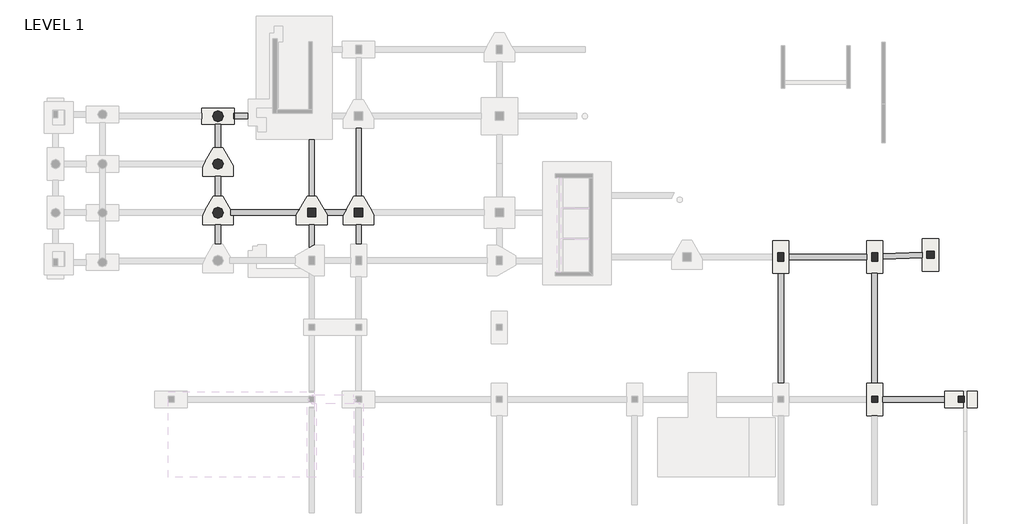
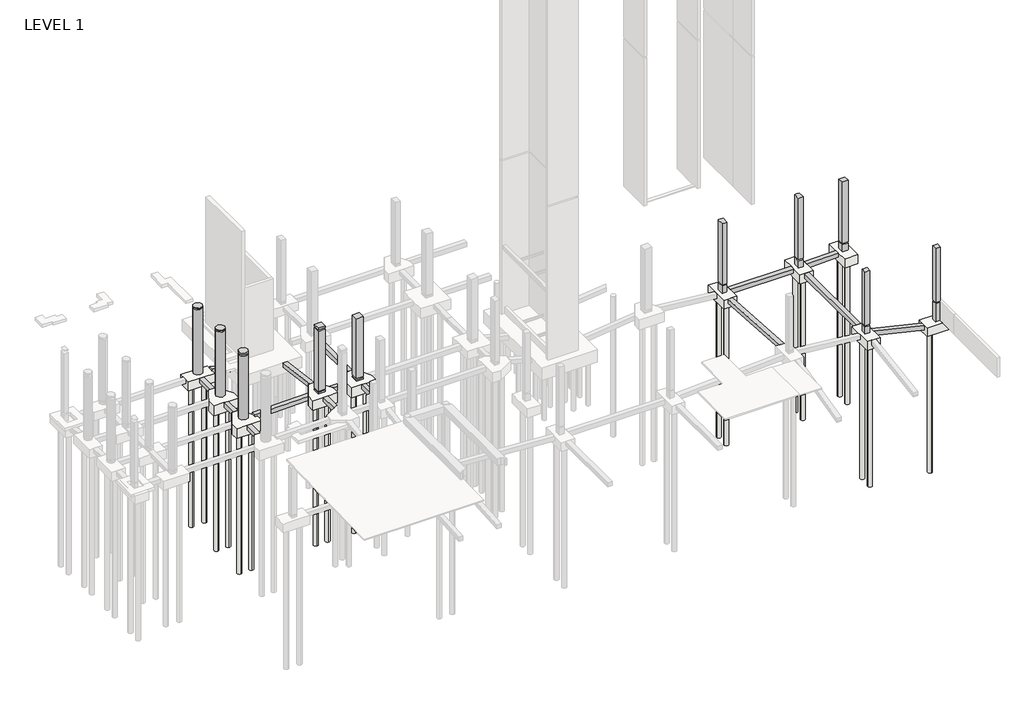
# One storey, part 8 of 20: 33 slabs, 15 beams, 10 columns.
"""IFC4 building model written with IfcOpenShell, lengths in millimetres."""

from ifc_helpers import new_model, si_unit, point, frame, frame_2d, origin, origin_with_axes, place, context, project, spatial, polyline, circle_curve, trimmed, segment, composite_curve, outline, extrude, faceted_brep, element, save

model = new_model("IFC4")

# Units and contexts
model_context = context("Model", 3, world=origin())
ifc_project = project(units=[si_unit("LENGTHUNIT", "METRE", prefix="MILLI")], contexts=[model_context])

# Site, building, storey
site = spatial("IfcSite", under=ifc_project)
building = spatial("IfcBuilding", under=site)
storey = spatial("IfcBuildingStorey", under=building, Name="LEVEL 1", Elevation=0.0)

# Beams
placement = place(None, origin())
element("IfcBeam", 1, ObjectType="Concrete-Rectangular Beam", at=placement, inside=storey, context=model_context, shape_type="SweptSolid", body=[
    extrude(outline(polyline([(-914.4, 57112.6094276), (-928.5570788, 57109.2389942), (-1383.5758964, 57109.2389942), (-2635.3217705, 62367.0389942), (-2165.3434613, 62367.0389942), (-914.4, 57112.6094276)])), frame((0.0, -45445.9107149, 0.0), z_axis=(0.0, 1.0, 0.0), x_axis=(0.0, 0.0, 1.0)), (0.0, 0.0, 1.0), 457.2),
])
element("IfcBeam", 2, ObjectType="Concrete-Rectangular Beam", at=placement, inside=storey, context=model_context, shape_type="SweptSolid", body=[
    extrude(outline(polyline([(-43845.7107149, -763.3710243), (-43845.7107149, -305.1601041), (-34549.3107149, -923.7104636), (-34549.3107149, -1381.9213838), (-43845.7107149, -763.3710243)])), frame((48270.0389942, 0.0, 0.0), z_axis=(1.0, 0.0, 0.0), x_axis=(0.0, 1.0, 0.0)), (0.0, 0.0, 1.0), 457.2),
])
element("IfcBeam", 3, ObjectType="Concrete-Rectangular Beam", at=placement, inside=storey, context=model_context, shape_type="SweptSolid", body=[
    extrude(outline(polyline([(49184.4389942, -33406.3107149), (49184.4389942, -32949.1107149), (55737.6389942, -32949.1107149), (55737.6389942, -33406.3107149), (49184.4389942, -33406.3107149)])), frame((0.0, 0.0, -1371.6), z_axis=(0.0, 0.0, 1.0), x_axis=(1.0, 0.0, 0.0)), (0.0, 0.0, 1.0), 457.2),
])
element("IfcBeam", 4, ObjectType="Concrete-Rectangular Beam", at=placement, inside=storey, context=model_context, shape_type="SweptSolid", body=[
    extrude(outline(polyline([(56652.0389942, -43845.7107149), (56194.8389942, -43845.7107149), (56194.8389942, -34549.3107149), (56652.0389942, -34549.3107149), (56652.0389942, -43845.7107149)])), frame((0.0, 0.0, -1371.6), z_axis=(0.0, 0.0, 1.0), x_axis=(1.0, 0.0, 0.0)), (0.0, 0.0, 1.0), 457.2),
])
element("IfcBeam", 5, ObjectType="Concrete-Rectangular Beam", at=placement, inside=storey, context=model_context, shape_type="SweptSolid", body=[
    extrude(outline(polyline([(57109.2389942, -33380.6655772), (57109.2389942, -32923.1419833), (60462.541098, -32796.9558526), (60462.541098, -33254.4794466), (57109.2389942, -33380.6655772)])), frame((0.0, 0.0, -1371.6), z_axis=(0.0, 0.0, 1.0), x_axis=(1.0, 0.0, 0.0)), (0.0, 0.0, 1.0), 457.2),
])
element("IfcBeam", 6, ObjectType="Concrete-Rectangular Beam", at=placement, inside=storey, context=model_context, shape_type="SweptSolid", body=[
    extrude(outline(polyline([(721.2389942, -21976.3107149), (1178.4389942, -21976.3107149), (1178.4389942, -23938.4462939), (721.2389942, -23938.4462939), (721.2389942, -21976.3107149)])), frame((0.0, 0.0, -1066.8), z_axis=(0.0, 0.0, 1.0), x_axis=(1.0, 0.0, 0.0)), (0.0, 0.0, 1.0), 457.2),
])
element("IfcBeam", 7, ObjectType="Concrete-Rectangular Beam", at=placement, inside=storey, context=model_context, shape_type="SweptSolid", body=[
    extrude(outline(polyline([(1178.4389942, -28053.2462158), (721.2389942, -28053.2462158), (721.2389942, -26367.3212939), (1178.4389942, -26367.3212939), (1178.4389942, -28053.2462158)])), frame((0.0, 0.0, -1066.8), z_axis=(0.0, 0.0, 1.0), x_axis=(1.0, 0.0, 0.0)), (0.0, 0.0, 1.0), 457.2),
])
element("IfcBeam", 8, ObjectType="Concrete-Rectangular Beam", at=placement, inside=storey, context=model_context, shape_type="SweptSolid", body=[
    extrude(outline(polyline([(1178.4389942, -32091.8607149), (721.2389942, -32091.8607149), (721.2389942, -30482.1212158), (1178.4389942, -30482.1212158), (1178.4389942, -32091.8607149)])), frame((0.0, 0.0, -1066.8), z_axis=(0.0, 0.0, 1.0), x_axis=(1.0, 0.0, 0.0)), (0.0, 0.0, 1.0), 457.2),
])
element("IfcBeam", 9, ObjectType="Concrete-Rectangular Beam", at=placement, inside=storey, context=model_context, shape_type="Brep", body=[
    faceted_brep([(2017.3916281, -29215.3107149, -412.75), (2025.8766141, -29215.3107149, -869.8712585), (2025.8766141, -29232.3183466, -869.8712585), (2021.0455152, -29223.9394095, -609.6), (2021.0455152, -29672.5107149, -609.6), (2017.3916281, -29672.5107149, -412.75), (7579.2389942, -29672.5107149, -309.5121915), (7579.2389942, -29612.7894738, -309.5121915), (7808.4159362, -29215.3107149, -305.2582587), (2245.2389942, -29672.5107149, -609.6), (2245.2389942, -29672.5107149, -865.7995015), (7579.2389942, -29672.5107149, -766.7909465), (2245.2389942, -29612.7749746, -865.7995015), (7808.4159362, -29215.3107149, -762.5370137), (7579.2389942, -29612.7894738, -766.7909465), (2245.2389942, -29612.7749746, -609.6)], [[[0, 1, 2, 3, 4, 5]], [[0, 5, 6, 7, 8]], [[9, 10, 11, 6, 5, 4]], [[10, 12, 2, 1, 13, 14, 11]], [[1, 0, 8, 13]], [[3, 15, 9, 4]], [[15, 12, 10, 9]], [[12, 15, 3, 2]], [[7, 14, 13, 8]], [[14, 7, 6, 11]]]),
])
element("IfcBeam", 10, ObjectType="Concrete-Rectangular Beam", at=placement, inside=storey, context=model_context, shape_type="SweptSolid", body=[
    extrude(outline(polyline([(13076.432182, -32110.9107149), (12619.232182, -32110.9107149), (12619.232182, -30482.1067166), (13076.432182, -30482.1067166), (13076.432182, -32110.9107149)])), frame((0.0, 0.0, -762.0), z_axis=(0.0, 0.0, 1.0), x_axis=(1.0, 0.0, 0.0)), (0.0, 0.0, 1.0), 457.2),
])
element("IfcBeam", 11, ObjectType="Concrete-Rectangular Beam", at=placement, inside=storey, context=model_context, shape_type="Brep", body=[
    faceted_brep([(11541.6389942, -29612.7604754, -304.8), (11770.8022716, -29215.3054161, -304.8), (9940.8609274, -29215.3087642, -304.8), (10170.0389942, -29612.7894738, -304.8), (10170.0389942, -29672.5083449, -304.8), (11541.6389942, -29672.5058354, -304.8), (11541.6389949, -29672.5058354, -762.0), (10170.0389934, -29672.5083449, -762.0), (11770.8022716, -29215.3054161, -762.0), (11541.6389942, -29612.7604754, -762.0), (10170.0389942, -29612.7894738, -762.0), (9940.8609274, -29215.3087642, -762.0)], [[[0, 1, 2, 3, 4, 5]], [[6, 5, 4, 7]], [[8, 9, 6, 7, 10, 11]], [[1, 8, 11, 2]], [[3, 10, 7, 4]], [[10, 3, 2, 11]], [[0, 9, 8, 1]], [[9, 0, 5, 6]]]),
])
element("IfcBeam", 12, ObjectType="Concrete-Rectangular Beam", at=placement, inside=storey, context=model_context, shape_type="SweptSolid", body=[
    extrude(outline(polyline([(9103.2389942, -32187.1107149), (9043.517753, -32187.1107149), (8646.0389942, -32416.287657), (8646.0389942, -30482.1357149), (9103.2389942, -30482.1357149), (9103.2389942, -32187.1107149)])), frame((0.0, 0.0, -762.0), z_axis=(0.0, 0.0, 1.0), x_axis=(1.0, 0.0, 0.0)), (0.0, 0.0, 1.0), 457.2),
])
element("IfcBeam", 13, ObjectType="Concrete-Rectangular Beam", at=placement, inside=storey, context=model_context, shape_type="SweptSolid", body=[
    extrude(outline(polyline([(-609.6, 2321.4389942), (-881.088107, 2321.4389942), (-1396.1553947, 4207.3889942), (-922.2112445, 4207.3889942), (-914.4, 4178.7876506), (-914.4, 3489.8389942), (-726.2428825, 3489.8389942), (-406.4, 2318.7149514), (-609.6, 2263.219486), (-609.6, 2321.4389942)])), frame((0.0, -21519.1107149, 0.0), z_axis=(0.0, 1.0, 0.0), x_axis=(0.0, 0.0, 1.0)), (0.0, 0.0, 1.0), 457.2),
])
element("IfcBeam", 14, ObjectType="Concrete-Rectangular Beam", at=placement, inside=storey, context=model_context, shape_type="SweptSolid", body=[
    extrude(outline(polyline([(-28053.2607149, -766.433643), (-28053.2607149, -305.58486), (-23220.9107149, -917.313843), (-23220.9107149, -1378.162626), (-28053.2607149, -766.433643)])), frame((8646.0389942, 0.0, 0.0), z_axis=(1.0, 0.0, 0.0), x_axis=(0.0, 1.0, 0.0)), (0.0, 0.0, 1.0), 457.2),
])
element("IfcBeam", 15, ObjectType="Concrete-Rectangular Beam", at=placement, inside=storey, context=model_context, shape_type="SweptSolid", body=[
    extrude(outline(polyline([(13076.432182, -28053.2317166), (12619.232182, -28053.2317166), (12619.232182, -22328.7357149), (13076.432182, -22328.7357149), (13076.432182, -28053.2317166)])), frame((0.0, 0.0, -762.0), z_axis=(0.0, 0.0, 1.0), x_axis=(1.0, 0.0, 0.0)), (0.0, 0.0, 1.0), 457.2),
])

# Columns
element("IfcColumn", 16, ObjectType="UC Concrete-Rectangular-Column : 20 x 20", at=placement, inside=storey, context=model_context, shape_type="Brep", body=[
    faceted_brep([(63484.6389942, -45471.3107149, -2133.6), (63484.6389942, -44963.3107149, -2133.6), (63960.8889942, -44963.3107149, -2133.6), (63960.8889942, -45471.3107149, -2133.6), (63484.6389942, -44963.3107149, -127.0), (63484.6389942, -45471.3107149, -127.0), (63960.8889942, -45471.3107149, -127.0), (63960.8889942, -44963.3107149, -127.0)], [[[0, 1, 2, 3]], [[4, 5, 6, 7]], [[5, 0, 3, 6]], [[1, 0, 5, 4]], [[1, 4, 7, 2]], [[3, 2, 7, 6]]]),
    faceted_brep([(63992.6389942, -45471.3107149, 0.0), (63992.6389942, -44963.3107149, 0.0), (63992.6389942, -44963.3107149, 5912.5005398), (63992.6389942, -45471.3107149, 5901.9481581), (63535.4389942, -45471.3107149, 5901.9481581), (63484.6389942, -45471.3107149, 5901.9481581), (63484.6389942, -45471.3107149, 5283.2), (63484.6389942, -45471.3107149, 0.0), (63960.8889942, -45471.3107149, 0.0), (63484.6389942, -44963.3107149, 5912.5005398), (63484.6389942, -44963.3107149, 5283.2), (63484.6389942, -44963.3107149, 0.0), (63535.4389942, -44963.3107149, 5912.5005398), (63941.8389942, -44963.3107149, 5912.5005398), (63960.8889942, -44963.3107149, 0.0)], [[[0, 1, 2, 3]], [[3, 4, 5, 6, 7, 8, 0]], [[5, 9, 10, 11, 7, 6]], [[9, 12, 13, 2, 1, 14, 11, 10]], [[5, 4, 3, 2, 13, 12, 9]], [[1, 0, 8, 7, 11, 14]]]),
])
element("IfcColumn", 17, ObjectType="UC Concrete-Rectangular-Column : 20 x 20", at=placement, inside=storey, context=model_context, shape_type="Brep", body=[
    faceted_brep([(56677.4389942, -44963.3107149, -914.4), (56677.4389942, -45471.3107149, -914.4), (56169.4389942, -45471.3107149, -914.4), (56169.4389942, -44963.3107149, -914.4), (56677.4389942, -45471.3107149, -127.0), (56677.4389942, -44963.3107149, -127.0), (56169.4389942, -44963.3107149, -127.0), (56169.4389942, -45471.3107149, -127.0)], [[[0, 1, 2, 3]], [[4, 5, 6, 7]], [[1, 0, 5, 4]], [[2, 1, 4, 7]], [[3, 2, 7, 6]], [[0, 3, 6, 5]]]),
    faceted_brep([(56677.4389942, -44963.3107149, 5912.5005398), (56677.4389942, -45471.3107149, 5901.9481581), (56677.4389942, -45471.3107149, 5283.2), (56677.4389942, -45471.3107149, 0.0), (56677.4389942, -44963.3107149, 0.0), (56677.4389942, -44963.3107149, 5283.2), (56626.6389942, -45471.3107149, 5901.9481581), (56220.2389942, -45471.3107149, 5901.9481581), (56169.4389942, -45471.3107149, 5901.9481581), (56169.4389942, -45471.3107149, 5283.2), (56169.4389942, -45471.3107149, 0.0), (56169.4389942, -44963.3107149, 5912.5005398), (56169.4389942, -44963.3107149, 5283.2), (56169.4389942, -44963.3107149, 0.0), (56220.2389942, -44963.3107149, 5912.5005398), (56626.6389942, -44963.3107149, 5912.5005398)], [[[0, 1, 2, 3, 4, 5]], [[1, 6, 7, 8, 9, 10, 3, 2]], [[8, 11, 12, 13, 10, 9]], [[11, 14, 15, 0, 5, 4, 13, 12]], [[1, 0, 15, 14, 11, 8, 7, 6]], [[4, 3, 10, 13]]]),
])
element("IfcColumn", 18, ObjectType="UC Concrete-Rectangular-Column : 20 x 28", at=placement, inside=storey, context=model_context, shape_type="Brep", body=[
    faceted_brep([(48752.6389942, -32822.1107149, -914.4), (48752.6389942, -33533.3107149, -914.4), (48244.6389942, -33533.3107149, -914.4), (48244.6389942, -32822.1107149, -914.4), (48752.6389942, -33533.3107149, -127.0), (48752.6389942, -32822.1107149, -127.0), (48244.6389942, -32822.1107149, -127.0), (48244.6389942, -33533.3107149, -127.0)], [[[0, 1, 2, 3]], [[4, 5, 6, 7]], [[1, 0, 5, 4]], [[2, 1, 4, 7]], [[3, 2, 7, 6]], [[0, 3, 6, 5]]]),
    faceted_brep([(48752.6389942, -32822.1107149, 6731.0), (48752.6389942, -33533.3107149, 6731.0), (48752.6389942, -33533.3107149, 0.0), (48752.6389942, -32822.1107149, 0.0), (48498.6389942, -33533.3107149, 6731.0), (48244.6389942, -33533.3107149, 6731.0), (48244.6389942, -33533.3107149, 5232.4), (48244.6389942, -33533.3107149, 0.0), (48244.6389942, -32828.4607149, 6731.0), (48244.6389942, -32822.1107149, 6731.0), (48244.6389942, -32822.1107149, 0.0)], [[[0, 1, 2, 3]], [[1, 4, 5, 6, 7, 2]], [[5, 8, 9, 10, 7, 6]], [[9, 0, 3, 10]], [[1, 0, 9, 8, 5, 4]], [[3, 2, 7, 10]]]),
])
element("IfcColumn", 19, ObjectType="UC Concrete-Rectangular-Column : 20 x 28", at=placement, inside=storey, context=model_context, shape_type="Brep", body=[
    faceted_brep([(56677.4389942, -32822.1107149, -914.4), (56677.4389942, -33533.3107149, -914.4), (56169.4389942, -33533.3107149, -914.4), (56169.4389942, -32822.1107149, -914.4), (56677.4389942, -33533.3107149, -127.0), (56677.4389942, -32822.1107149, -127.0), (56169.4389942, -32822.1107149, -127.0), (56169.4389942, -33533.3107149, -127.0)], [[[0, 1, 2, 3]], [[4, 5, 6, 7]], [[1, 0, 5, 4]], [[2, 1, 4, 7]], [[3, 2, 7, 6]], [[0, 3, 6, 5]]]),
    faceted_brep([(56677.4389942, -32822.1107149, 6731.0), (56677.4389942, -33533.3107149, 6731.0), (56677.4389942, -33533.3107149, 5232.4), (56677.4389942, -33533.3107149, 0.0), (56677.4389942, -32822.1107149, 0.0), (56677.4389942, -32822.1107149, 5232.4), (56423.4389942, -33533.3107149, 6731.0), (56169.4389942, -33533.3107149, 6731.0), (56169.4389942, -33533.3107149, 5232.4), (56169.4389942, -33533.3107149, 0.0), (56169.4389942, -32828.4607149, 6731.0), (56169.4389942, -32822.1107149, 6731.0), (56169.4389942, -32822.1107149, 0.0), (56423.4389942, -32822.1107149, 6731.0)], [[[0, 1, 2, 3, 4, 5]], [[1, 6, 7, 8, 9, 3, 2]], [[7, 10, 11, 12, 9, 8]], [[11, 13, 0, 5, 4, 12]], [[1, 0, 13, 11, 10, 7, 6]], [[4, 3, 9, 12]]]),
])
element("IfcColumn", 20, ObjectType="UC Concrete-Rectangular-Column : 24 x 24", at=placement, inside=storey, context=model_context, shape_type="Brep", body=[
    faceted_brep([(61453.141098, -32695.1107149, -914.4), (61453.141098, -33304.7107149, -914.4), (60843.541098, -33304.7107149, -914.4), (60843.541098, -32695.1107149, -914.4), (61453.141098, -33304.7107149, -127.0), (61453.141098, -32695.1107149, -127.0), (60843.541098, -32695.1107149, -127.0), (60843.541098, -33304.7107149, -127.0)], [[[0, 1, 2, 3]], [[4, 5, 6, 7]], [[1, 0, 5, 4]], [[2, 1, 4, 7]], [[3, 2, 7, 6]], [[0, 3, 6, 5]]]),
    faceted_brep([(61453.141098, -32695.1107149, 6731.0), (61453.141098, -33304.7107149, 6731.0), (61453.141098, -33304.7107149, 5232.4), (61453.141098, -33304.7107149, 0.0), (61453.141098, -32695.1107149, 0.0), (61453.141098, -32695.1107149, 5232.4), (60843.541098, -33304.7107149, 6731.0), (60843.541098, -33304.7107149, 5232.4), (60843.541098, -33304.7107149, 0.0), (60843.541098, -32695.1107149, 6731.0), (60843.541098, -32695.1107149, 5232.4), (60843.541098, -32695.1107149, 0.0)], [[[0, 1, 2, 3, 4, 5]], [[1, 6, 7, 8, 3, 2]], [[6, 9, 10, 11, 8, 7]], [[9, 0, 5, 4, 11, 10]], [[1, 0, 9, 6]], [[4, 3, 8, 11]]]),
])
element("IfcColumn", 21, ObjectType="UC Concrete-Rectangular-Column : 28 x 28", at=placement, inside=storey, context=model_context, shape_type="SweptSolid", body=[
    extrude(outline(polyline([(13192.6389942, -29088.2962158), (13192.6389942, -29799.4962158), (12481.4389942, -29799.4962158), (12481.4389942, -29088.2962158), (13192.6389942, -29088.2962158)])), frame((0.0, 0.0, -304.8), z_axis=(0.0, 0.0, 1.0), x_axis=(1.0, 0.0, 0.0)), (0.0, 0.0, 1.0), 177.8),
    extrude(outline(polyline([(13192.6389942, -29088.2962158), (13192.6389942, -29799.4962158), (12481.4389942, -29799.4962158), (12481.4389942, -29088.2962158), (13192.6389942, -29088.2962158)])), origin_with_axes(), (0.0, 0.0, 1.0), 6553.2),
])
element("IfcColumn", 22, ObjectType="UC Concrete-Rectangular-Column : 28 x 28", at=placement, inside=storey, context=model_context, shape_type="SweptSolid", body=[
    extrude(outline(polyline([(9230.2389942, -29088.3107149), (9230.2389942, -29799.5107149), (8519.0389942, -29799.5107149), (8519.0389942, -29088.3107149), (9230.2389942, -29088.3107149)])), frame((0.0, 0.0, -304.8), z_axis=(0.0, 0.0, 1.0), x_axis=(1.0, 0.0, 0.0)), (0.0, 0.0, 1.0), 177.8),
    extrude(outline(polyline([(9230.2389942, -29088.3107149), (9230.2389942, -29799.5107149), (8519.0389942, -29799.5107149), (8519.0389942, -29088.3107149), (9230.2389942, -29088.3107149)])), frame((0.0, 0.0, 6731.0), z_axis=(0.0, 0.0, 1.0), x_axis=(1.0, 0.0, 0.0)), (0.0, 0.0, 1.0), 177.8),
    extrude(outline(polyline([(9230.2389942, -29088.3107149), (9230.2389942, -29799.5107149), (8519.0389942, -29799.5107149), (8519.0389942, -29088.3107149), (9230.2389942, -29088.3107149)])), origin_with_axes(), (0.0, 0.0, 1.0), 6553.2),
])
element("IfcColumn", 23, ObjectType="UC Concrete-Round-Column : 36\" DIA.", at=placement, inside=storey, context=model_context, shape_type="SweptSolid", body=[
    extrude(outline(composite_curve([segment(trimmed(circle_curve(frame_2d((949.8389942, -21290.5107149)), 457.2), [point((1407.0389942, -21290.5107149))], [point((492.6389942, -21290.5107149))], False, "CARTESIAN"), True, "CONTINUOUS"), segment(trimmed(circle_curve(frame_2d((949.8389942, -21290.5107149)), 457.2), [point((492.6389942, -21290.5107149))], [point((1407.0389942, -21290.5107149))], False, "CARTESIAN"), True, "CONTINUOUS")], self_intersect=False)), frame((0.0, 0.0, -406.4), z_axis=(0.0, 0.0, 1.0), x_axis=(1.0, 0.0, 0.0)), (0.0, 0.0, 1.0), 7137.4),
    extrude(outline(composite_curve([segment(trimmed(circle_curve(frame_2d((949.8389942, -21290.5107149)), 457.2), [point((1407.0389942, -21290.5107149))], [point((492.6389942, -21290.5107149))], False, "CARTESIAN"), True, "CONTINUOUS"), segment(trimmed(circle_curve(frame_2d((949.8389942, -21290.5107149)), 457.2), [point((492.6389942, -21290.5107149))], [point((1407.0389942, -21290.5107149))], False, "CARTESIAN"), True, "CONTINUOUS")], self_intersect=False)), frame((0.0, 0.0, 6858.0), z_axis=(0.0, 0.0, 1.0), x_axis=(1.0, 0.0, 0.0)), (0.0, 0.0, 1.0), 50.8),
])
element("IfcColumn", 24, ObjectType="UC Concrete-Round-Column : 36\" DIA.", at=placement, inside=storey, context=model_context, shape_type="SweptSolid", body=[
    extrude(outline(composite_curve([segment(trimmed(circle_curve(frame_2d((949.8389942, -25329.1107149)), 457.2), [point((492.6389942, -25329.1107149))], [point((1407.0389942, -25329.1107149))], False, "CARTESIAN"), True, "CONTINUOUS"), segment(trimmed(circle_curve(frame_2d((949.8389942, -25329.1107149)), 457.2), [point((1407.0389942, -25329.1107149))], [point((492.6389942, -25329.1107149))], False, "CARTESIAN"), True, "CONTINUOUS")], self_intersect=False)), frame((0.0, 0.0, -406.4), z_axis=(0.0, 0.0, 1.0), x_axis=(1.0, 0.0, 0.0)), (0.0, 0.0, 1.0), 7137.4),
    extrude(outline(composite_curve([segment(trimmed(circle_curve(frame_2d((949.8389942, -25329.1107149)), 457.2), [point((492.6389942, -25329.1107149))], [point((1407.0389942, -25329.1107149))], False, "CARTESIAN"), True, "CONTINUOUS"), segment(trimmed(circle_curve(frame_2d((949.8389942, -25329.1107149)), 457.2), [point((1407.0389942, -25329.1107149))], [point((492.6389942, -25329.1107149))], False, "CARTESIAN"), True, "CONTINUOUS")], self_intersect=False)), frame((0.0, 0.0, 6858.0), z_axis=(0.0, 0.0, 1.0), x_axis=(1.0, 0.0, 0.0)), (0.0, 0.0, 1.0), 50.8),
])
element("IfcColumn", 25, ObjectType="UC Concrete-Round-Column : 36\" DIA.", at=placement, inside=storey, context=model_context, shape_type="SweptSolid", body=[
    extrude(outline(composite_curve([segment(trimmed(circle_curve(frame_2d((949.8389942, -29443.9107149)), 457.2), [point((1407.0389942, -29443.9107149))], [point((492.6389942, -29443.9107149))], False, "CARTESIAN"), True, "CONTINUOUS"), segment(trimmed(circle_curve(frame_2d((949.8389942, -29443.9107149)), 457.2), [point((492.6389942, -29443.9107149))], [point((1407.0389942, -29443.9107149))], False, "CARTESIAN"), True, "CONTINUOUS")], self_intersect=False)), frame((0.0, 0.0, -406.4), z_axis=(0.0, 0.0, 1.0), x_axis=(1.0, 0.0, 0.0)), (0.0, 0.0, 1.0), 6959.6),
    extrude(outline(composite_curve([segment(trimmed(circle_curve(frame_2d((949.8389942, -29443.9107149)), 457.2), [point((1407.0389942, -29443.9107149))], [point((492.6389942, -29443.9107149))], False, "CARTESIAN"), True, "CONTINUOUS"), segment(trimmed(circle_curve(frame_2d((949.8389942, -29443.9107149)), 457.2), [point((492.6389942, -29443.9107149))], [point((1407.0389942, -29443.9107149))], False, "CARTESIAN"), True, "CONTINUOUS")], self_intersect=False)), frame((0.0, 0.0, 6731.0), z_axis=(0.0, 0.0, 1.0), x_axis=(1.0, 0.0, 0.0)), (0.0, 0.0, 1.0), 177.8),
])

# Slabs
element("IfcSlab", 26, ObjectType="18\" Diameter", at=placement, inside=storey, context=model_context, shape_type="SweptSolid", body=[
    extrude(outline(composite_curve([segment(trimmed(circle_curve(frame_2d((63052.8389942, -45217.3107149)), 228.6), [point((63052.8389942, -44988.7107149))], [point((63052.8389942, -45445.9107149))], False, "CARTESIAN"), True, "CONTINUOUS"), segment(trimmed(circle_curve(frame_2d((63052.8389942, -45217.3107149)), 228.6), [point((63052.8389942, -45445.9107149))], [point((63052.8389942, -44988.7107149))], False, "CARTESIAN"), True, "CONTINUOUS")], self_intersect=False)), frame((0.0, 0.0, -18567.4), z_axis=(0.0, 0.0, 1.0), x_axis=(1.0, 0.0, 0.0)), (0.0, 0.0, 1.0), 15392.4),
])
element("IfcSlab", 27, ObjectType="18\" Diameter", at=placement, inside=storey, context=model_context, shape_type="SweptSolid", body=[
    extrude(outline(composite_curve([segment(trimmed(circle_curve(frame_2d((264.0389942, -21290.5107149)), 228.6), [point((264.0389942, -21061.9107149))], [point((264.0389942, -21519.1107149))], False, "CARTESIAN"), True, "CONTINUOUS"), segment(trimmed(circle_curve(frame_2d((264.0389942, -21290.5107149)), 228.6), [point((264.0389942, -21519.1107149))], [point((264.0389942, -21061.9107149))], False, "CARTESIAN"), True, "CONTINUOUS")], self_intersect=False)), frame((0.0, 0.0, -17043.4), z_axis=(0.0, 0.0, 1.0), x_axis=(1.0, 0.0, 0.0)), (0.0, 0.0, 1.0), 15392.4),
])
element("IfcSlab", 28, ObjectType="18\" Diameter", at=placement, inside=storey, context=model_context, shape_type="SweptSolid", body=[
    extrude(outline(composite_curve([segment(trimmed(circle_curve(frame_2d((1635.6389942, -21290.5107149)), 228.6), [point((1635.6389942, -21061.9107149))], [point((1635.6389942, -21519.1107149))], False, "CARTESIAN"), True, "CONTINUOUS"), segment(trimmed(circle_curve(frame_2d((1635.6389942, -21290.5107149)), 228.6), [point((1635.6389942, -21519.1107149))], [point((1635.6389942, -21061.9107149))], False, "CARTESIAN"), True, "CONTINUOUS")], self_intersect=False)), frame((0.0, 0.0, -17043.4), z_axis=(0.0, 0.0, 1.0), x_axis=(1.0, 0.0, 0.0)), (0.0, 0.0, 1.0), 15392.4),
])
element("IfcSlab", 29, ObjectType="18\" Diameter", at=placement, inside=storey, context=model_context, shape_type="SweptSolid", body=[
    extrude(outline(composite_curve([segment(trimmed(circle_curve(frame_2d((949.8389942, -28739.0462158)), 228.6), [point((949.8389942, -28967.6462158))], [point((949.8389942, -28510.4462158))], False, "CARTESIAN"), True, "CONTINUOUS"), segment(trimmed(circle_curve(frame_2d((949.8389942, -28739.0462158)), 228.6), [point((949.8389942, -28510.4462158))], [point((949.8389942, -28967.6462158))], False, "CARTESIAN"), True, "CONTINUOUS")], self_intersect=False)), frame((0.0, 0.0, -17043.4), z_axis=(0.0, 0.0, 1.0), x_axis=(1.0, 0.0, 0.0)), (0.0, 0.0, 1.0), 15367.0),
])
element("IfcSlab", 30, ObjectType="18\" Diameter", at=placement, inside=storey, context=model_context, shape_type="SweptSolid", body=[
    extrude(outline(composite_curve([segment(trimmed(circle_curve(frame_2d((949.8389942, -24624.2462939)), 228.6), [point((949.8389942, -24852.8462939))], [point((949.8389942, -24395.6462939))], False, "CARTESIAN"), True, "CONTINUOUS"), segment(trimmed(circle_curve(frame_2d((949.8389942, -24624.2462939)), 228.6), [point((949.8389942, -24395.6462939))], [point((949.8389942, -24852.8462939))], False, "CARTESIAN"), True, "CONTINUOUS")], self_intersect=False)), frame((0.0, 0.0, -17043.4), z_axis=(0.0, 0.0, 1.0), x_axis=(1.0, 0.0, 0.0)), (0.0, 0.0, 1.0), 15367.0),
])
element("IfcSlab", 31, ObjectType="18\" Diameter", at=placement, inside=storey, context=model_context, shape_type="SweptSolid", body=[
    extrude(outline(composite_curve([segment(trimmed(circle_curve(frame_2d((12837.0389942, -28739.0317166)), 228.6), [point((12837.0389942, -28510.4317166))], [point((12837.0389942, -28967.6317166))], False, "CARTESIAN"), True, "CONTINUOUS"), segment(trimmed(circle_curve(frame_2d((12837.0389942, -28739.0317166)), 228.6), [point((12837.0389942, -28967.6317166))], [point((12837.0389942, -28510.4317166))], False, "CARTESIAN"), True, "CONTINUOUS")], self_intersect=False)), frame((0.0, 0.0, -16738.6), z_axis=(0.0, 0.0, 1.0), x_axis=(1.0, 0.0, 0.0)), (0.0, 0.0, 1.0), 15367.0),
])
element("IfcSlab", 32, ObjectType="18\" Diameter", at=placement, inside=storey, context=model_context, shape_type="SweptSolid", body=[
    extrude(outline(composite_curve([segment(trimmed(circle_curve(frame_2d((48498.6389942, -32491.9107149)), 228.6), [point((48727.2389942, -32491.9107149))], [point((48270.0389942, -32491.9107149))], False, "CARTESIAN"), True, "CONTINUOUS"), segment(trimmed(circle_curve(frame_2d((48498.6389942, -32491.9107149)), 228.6), [point((48270.0389942, -32491.9107149))], [point((48727.2389942, -32491.9107149))], False, "CARTESIAN"), True, "CONTINUOUS")], self_intersect=False)), frame((0.0, 0.0, -17348.2), z_axis=(0.0, 0.0, 1.0), x_axis=(1.0, 0.0, 0.0)), (0.0, 0.0, 1.0), 15392.4),
])
element("IfcSlab", 33, ObjectType="18\" Diameter", at=placement, inside=storey, context=model_context, shape_type="SweptSolid", body=[
    extrude(outline(composite_curve([segment(trimmed(circle_curve(frame_2d((48498.6389942, -33863.5107149)), 228.6), [point((48727.2389942, -33863.5107149))], [point((48270.0389942, -33863.5107149))], False, "CARTESIAN"), True, "CONTINUOUS"), segment(trimmed(circle_curve(frame_2d((48498.6389942, -33863.5107149)), 228.6), [point((48270.0389942, -33863.5107149))], [point((48727.2389942, -33863.5107149))], False, "CARTESIAN"), True, "CONTINUOUS")], self_intersect=False)), frame((0.0, 0.0, -17348.2), z_axis=(0.0, 0.0, 1.0), x_axis=(1.0, 0.0, 0.0)), (0.0, 0.0, 1.0), 15392.4),
])
element("IfcSlab", 34, ObjectType="18\" Diameter", at=placement, inside=storey, context=model_context, shape_type="SweptSolid", body=[
    extrude(outline(composite_curve([segment(trimmed(circle_curve(frame_2d((56423.4389942, -32491.9107149)), 228.6), [point((56652.0389942, -32491.9107149))], [point((56194.8389942, -32491.9107149))], False, "CARTESIAN"), True, "CONTINUOUS"), segment(trimmed(circle_curve(frame_2d((56423.4389942, -32491.9107149)), 228.6), [point((56194.8389942, -32491.9107149))], [point((56652.0389942, -32491.9107149))], False, "CARTESIAN"), True, "CONTINUOUS")], self_intersect=False)), frame((0.0, 0.0, -17348.2), z_axis=(0.0, 0.0, 1.0), x_axis=(1.0, 0.0, 0.0)), (0.0, 0.0, 1.0), 15392.4),
])
element("IfcSlab", 35, ObjectType="18\" Diameter", at=placement, inside=storey, context=model_context, shape_type="SweptSolid", body=[
    extrude(outline(composite_curve([segment(trimmed(circle_curve(frame_2d((56423.4389942, -44531.5107149)), 228.6), [point((56652.0389942, -44531.5107149))], [point((56194.8389942, -44531.5107149))], False, "CARTESIAN"), True, "CONTINUOUS"), segment(trimmed(circle_curve(frame_2d((56423.4389942, -44531.5107149)), 228.6), [point((56194.8389942, -44531.5107149))], [point((56652.0389942, -44531.5107149))], False, "CARTESIAN"), True, "CONTINUOUS")], self_intersect=False)), frame((0.0, 0.0, -17348.2), z_axis=(0.0, 0.0, 1.0), x_axis=(1.0, 0.0, 0.0)), (0.0, 0.0, 1.0), 15392.4),
])
element("IfcSlab", 36, ObjectType="18\" Diameter", at=placement, inside=storey, context=model_context, shape_type="SweptSolid", body=[
    extrude(outline(composite_curve([segment(trimmed(circle_curve(frame_2d((56423.4389942, -45903.1107149)), 228.6), [point((56652.0389942, -45903.1107149))], [point((56194.8389942, -45903.1107149))], False, "CARTESIAN"), True, "CONTINUOUS"), segment(trimmed(circle_curve(frame_2d((56423.4389942, -45903.1107149)), 228.6), [point((56194.8389942, -45903.1107149))], [point((56652.0389942, -45903.1107149))], False, "CARTESIAN"), True, "CONTINUOUS")], self_intersect=False)), frame((0.0, 0.0, -17348.2), z_axis=(0.0, 0.0, 1.0), x_axis=(1.0, 0.0, 0.0)), (0.0, 0.0, 1.0), 15392.4),
])
element("IfcSlab", 37, ObjectType="18\" Diameter", at=placement, inside=storey, context=model_context, shape_type="SweptSolid", body=[
    extrude(outline(composite_curve([segment(trimmed(circle_curve(frame_2d((8874.6389942, -28739.0607149)), 228.6), [point((8874.6389942, -28967.6607149))], [point((8874.6389942, -28510.4607149))], False, "CARTESIAN"), True, "CONTINUOUS"), segment(trimmed(circle_curve(frame_2d((8874.6389942, -28739.0607149)), 228.6), [point((8874.6389942, -28510.4607149))], [point((8874.6389942, -28967.6607149))], False, "CARTESIAN"), True, "CONTINUOUS")], self_intersect=False)), frame((0.0, 0.0, -16738.6), z_axis=(0.0, 0.0, 1.0), x_axis=(1.0, 0.0, 0.0)), (0.0, 0.0, 1.0), 15367.0),
])
element("IfcSlab", 38, ObjectType="18\" Diameter", at=placement, inside=storey, context=model_context, shape_type="SweptSolid", body=[
    extrude(outline(composite_curve([segment(trimmed(circle_curve(frame_2d((1559.4389942, -25681.5212939)), 228.6), [point((1559.4389942, -25910.1212939))], [point((1559.4389942, -25452.9212939))], False, "CARTESIAN"), True, "CONTINUOUS"), segment(trimmed(circle_curve(frame_2d((1559.4389942, -25681.5212939)), 228.6), [point((1559.4389942, -25452.9212939))], [point((1559.4389942, -25910.1212939))], False, "CARTESIAN"), True, "CONTINUOUS")], self_intersect=False)), frame((0.0, 0.0, -17043.4), z_axis=(0.0, 0.0, 1.0), x_axis=(1.0, 0.0, 0.0)), (0.0, 0.0, 1.0), 15367.0),
])
element("IfcSlab", 39, ObjectType="18\" Diameter", at=placement, inside=storey, context=model_context, shape_type="SweptSolid", body=[
    extrude(outline(composite_curve([segment(trimmed(circle_curve(frame_2d((340.2389942, -25681.5212939)), 228.6), [point((340.2389942, -25910.1212939))], [point((340.2389942, -25452.9212939))], False, "CARTESIAN"), True, "CONTINUOUS"), segment(trimmed(circle_curve(frame_2d((340.2389942, -25681.5212939)), 228.6), [point((340.2389942, -25452.9212939))], [point((340.2389942, -25910.1212939))], False, "CARTESIAN"), True, "CONTINUOUS")], self_intersect=False)), frame((0.0, 0.0, -17043.4), z_axis=(0.0, 0.0, 1.0), x_axis=(1.0, 0.0, 0.0)), (0.0, 0.0, 1.0), 15367.0),
])
element("IfcSlab", 40, ObjectType="18\" Diameter", at=placement, inside=storey, context=model_context, shape_type="SweptSolid", body=[
    extrude(outline(composite_curve([segment(trimmed(circle_curve(frame_2d((1559.4389942, -29796.3212158)), 228.6), [point((1559.4389942, -30024.9212158))], [point((1559.4389942, -29567.7212158))], False, "CARTESIAN"), True, "CONTINUOUS"), segment(trimmed(circle_curve(frame_2d((1559.4389942, -29796.3212158)), 228.6), [point((1559.4389942, -29567.7212158))], [point((1559.4389942, -30024.9212158))], False, "CARTESIAN"), True, "CONTINUOUS")], self_intersect=False)), frame((0.0, 0.0, -17043.4), z_axis=(0.0, 0.0, 1.0), x_axis=(1.0, 0.0, 0.0)), (0.0, 0.0, 1.0), 15367.0),
])
element("IfcSlab", 41, ObjectType="18\" Diameter", at=placement, inside=storey, context=model_context, shape_type="SweptSolid", body=[
    extrude(outline(composite_curve([segment(trimmed(circle_curve(frame_2d((340.2389942, -29796.3212158)), 228.6), [point((340.2389942, -30024.9212158))], [point((340.2389942, -29567.7212158))], False, "CARTESIAN"), True, "CONTINUOUS"), segment(trimmed(circle_curve(frame_2d((340.2389942, -29796.3212158)), 228.6), [point((340.2389942, -29567.7212158))], [point((340.2389942, -30024.9212158))], False, "CARTESIAN"), True, "CONTINUOUS")], self_intersect=False)), frame((0.0, 0.0, -17043.4), z_axis=(0.0, 0.0, 1.0), x_axis=(1.0, 0.0, 0.0)), (0.0, 0.0, 1.0), 15367.0),
])
element("IfcSlab", 42, ObjectType="18\" Diameter", at=placement, inside=storey, context=model_context, shape_type="SweptSolid", body=[
    extrude(outline(composite_curve([segment(trimmed(circle_curve(frame_2d((9484.2389942, -29796.3357149)), 228.6), [point((9484.2389942, -30024.9357149))], [point((9484.2389942, -29567.7357149))], False, "CARTESIAN"), True, "CONTINUOUS"), segment(trimmed(circle_curve(frame_2d((9484.2389942, -29796.3357149)), 228.6), [point((9484.2389942, -29567.7357149))], [point((9484.2389942, -30024.9357149))], False, "CARTESIAN"), True, "CONTINUOUS")], self_intersect=False)), frame((0.0, 0.0, -16738.6), z_axis=(0.0, 0.0, 1.0), x_axis=(1.0, 0.0, 0.0)), (0.0, 0.0, 1.0), 15367.0),
])
element("IfcSlab", 43, ObjectType="18\" Diameter", at=placement, inside=storey, context=model_context, shape_type="SweptSolid", body=[
    extrude(outline(composite_curve([segment(trimmed(circle_curve(frame_2d((8265.0389942, -29796.3357149)), 228.6), [point((8265.0389942, -30024.9357149))], [point((8265.0389942, -29567.7357149))], False, "CARTESIAN"), True, "CONTINUOUS"), segment(trimmed(circle_curve(frame_2d((8265.0389942, -29796.3357149)), 228.6), [point((8265.0389942, -29567.7357149))], [point((8265.0389942, -30024.9357149))], False, "CARTESIAN"), True, "CONTINUOUS")], self_intersect=False)), frame((0.0, 0.0, -16738.6), z_axis=(0.0, 0.0, 1.0), x_axis=(1.0, 0.0, 0.0)), (0.0, 0.0, 1.0), 15367.0),
])
element("IfcSlab", 44, ObjectType="18\" Diameter", at=placement, inside=storey, context=model_context, shape_type="SweptSolid", body=[
    extrude(outline(composite_curve([segment(trimmed(circle_curve(frame_2d((13446.6389942, -29796.3067166)), 228.6), [point((13446.6389942, -30024.9067166))], [point((13446.6389942, -29567.7067166))], False, "CARTESIAN"), True, "CONTINUOUS"), segment(trimmed(circle_curve(frame_2d((13446.6389942, -29796.3067166)), 228.6), [point((13446.6389942, -29567.7067166))], [point((13446.6389942, -30024.9067166))], False, "CARTESIAN"), True, "CONTINUOUS")], self_intersect=False)), frame((0.0, 0.0, -16738.6), z_axis=(0.0, 0.0, 1.0), x_axis=(1.0, 0.0, 0.0)), (0.0, 0.0, 1.0), 15367.0),
])
element("IfcSlab", 45, ObjectType="18\" Diameter", at=placement, inside=storey, context=model_context, shape_type="SweptSolid", body=[
    extrude(outline(composite_curve([segment(trimmed(circle_curve(frame_2d((12227.4389942, -29796.3067166)), 228.6), [point((12227.4389942, -30024.9067166))], [point((12227.4389942, -29567.7067166))], False, "CARTESIAN"), True, "CONTINUOUS"), segment(trimmed(circle_curve(frame_2d((12227.4389942, -29796.3067166)), 228.6), [point((12227.4389942, -29567.7067166))], [point((12227.4389942, -30024.9067166))], False, "CARTESIAN"), True, "CONTINUOUS")], self_intersect=False)), frame((0.0, 0.0, -16738.6), z_axis=(0.0, 0.0, 1.0), x_axis=(1.0, 0.0, 0.0)), (0.0, 0.0, 1.0), 15367.0),
])
element("IfcSlab", 46, ObjectType="18\" Diameter", at=placement, inside=storey, context=model_context, shape_type="SweptSolid", body=[
    extrude(outline(composite_curve([segment(trimmed(circle_curve(frame_2d((61148.341098, -32314.1107149)), 228.6), [point((61376.941098, -32314.1107149))], [point((60919.741098, -32314.1107149))], False, "CARTESIAN"), True, "CONTINUOUS"), segment(trimmed(circle_curve(frame_2d((61148.341098, -32314.1107149)), 228.6), [point((60919.741098, -32314.1107149))], [point((61376.941098, -32314.1107149))], False, "CARTESIAN"), True, "CONTINUOUS")], self_intersect=False)), frame((0.0, 0.0, -17348.2), z_axis=(0.0, 0.0, 1.0), x_axis=(1.0, 0.0, 0.0)), (0.0, 0.0, 1.0), 15392.4),
])
element("IfcSlab", 47, ObjectType="18\" Diameter", at=placement, inside=storey, context=model_context, shape_type="SweptSolid", body=[
    extrude(outline(composite_curve([segment(trimmed(circle_curve(frame_2d((61148.341098, -33685.7107149)), 228.6), [point((61376.941098, -33685.7107149))], [point((60919.741098, -33685.7107149))], False, "CARTESIAN"), True, "CONTINUOUS"), segment(trimmed(circle_curve(frame_2d((61148.341098, -33685.7107149)), 228.6), [point((60919.741098, -33685.7107149))], [point((61376.941098, -33685.7107149))], False, "CARTESIAN"), True, "CONTINUOUS")], self_intersect=False)), frame((0.0, 0.0, -17348.2), z_axis=(0.0, 0.0, 1.0), x_axis=(1.0, 0.0, 0.0)), (0.0, 0.0, 1.0), 15392.4),
])
element("IfcSlab", 48, ObjectType="18\" Diameter", at=placement, inside=storey, context=model_context, shape_type="SweptSolid", body=[
    extrude(outline(composite_curve([segment(trimmed(circle_curve(frame_2d((56423.4389942, -33863.5107149)), 228.6), [point((56652.0389942, -33863.5107149))], [point((56194.8389942, -33863.5107149))], False, "CARTESIAN"), True, "CONTINUOUS"), segment(trimmed(circle_curve(frame_2d((56423.4389942, -33863.5107149)), 228.6), [point((56194.8389942, -33863.5107149))], [point((56652.0389942, -33863.5107149))], False, "CARTESIAN"), True, "CONTINUOUS")], self_intersect=False)), frame((0.0, 0.0, -17348.2), z_axis=(0.0, 0.0, 1.0), x_axis=(1.0, 0.0, 0.0)), (0.0, 0.0, 1.0), 15392.4),
])
element("IfcSlab", 49, ObjectType="UC Pile Cap-2 Pile : P2", at=placement, inside=storey, context=model_context, shape_type="Brep", body=[
    faceted_brep([(62367.0389942, -44531.5107149, -2133.6), (62367.0389942, -45903.1107149, -2133.6), (63617.9889942, -45903.1107149, -2133.6), (64532.3889942, -45903.1107149, -2133.6), (65110.2389942, -45903.1107149, -2133.6), (65110.2389942, -44531.5107149, -2133.6), (62367.0389942, -44531.5107149, -3098.8), (65110.2389942, -44531.5107149, -3098.8), (65110.2389942, -45903.1107149, -3098.8), (62367.0389942, -45903.1107149, -3098.8)], [[[0, 1, 2, 3, 4, 5]], [[6, 7, 8, 9]], [[1, 0, 6, 9]], [[4, 3, 2, 1, 9, 8]], [[5, 4, 8, 7]], [[0, 5, 7, 6]]]),
])
element("IfcSlab", 50, ObjectType="UC Pile Cap-2 Pile : P2", at=placement, inside=storey, context=model_context, shape_type="Brep", body=[
    faceted_brep([(49184.4389942, -31806.1107149, -914.4), (47812.8389942, -31806.1107149, -914.4), (47812.8389942, -34549.3107149, -914.4), (49184.4389942, -34549.3107149, -914.4), (49184.4389942, -33406.3107149, -914.4), (49184.4389942, -32949.1107149, -914.4), (49184.4389942, -31806.1107149, -1879.6), (49184.4389942, -34549.3107149, -1879.6), (47812.8389942, -34549.3107149, -1879.6), (47812.8389942, -31806.1107149, -1879.6)], [[[0, 1, 2, 3, 4, 5]], [[6, 7, 8, 9]], [[1, 0, 6, 9]], [[2, 1, 9, 8]], [[3, 2, 8, 7]], [[0, 5, 4, 3, 7, 6]]]),
])
element("IfcSlab", 51, ObjectType="UC Pile Cap-2 Pile : P2", at=placement, inside=storey, context=model_context, shape_type="Brep", body=[
    faceted_brep([(57109.2389942, -31806.1107149, -914.4), (55737.6389942, -31806.1107149, -914.4), (55737.6389942, -32949.1107149, -914.4), (55737.6389942, -33406.3107149, -914.4), (55737.6389942, -34549.3107149, -914.4), (56194.8389942, -34549.3107149, -914.4), (56652.0389942, -34549.3107149, -914.4), (57109.2389942, -34549.3107149, -914.4), (57109.2389942, -33380.6655772, -914.4), (57109.2389942, -32923.1419833, -914.4), (57109.2389942, -31806.1107149, -1879.6), (57109.2389942, -34549.3107149, -1879.6), (55737.6389942, -34549.3107149, -1879.6), (55737.6389942, -31806.1107149, -1879.6)], [[[0, 1, 2, 3, 4, 5, 6, 7, 8, 9]], [[10, 11, 12, 13]], [[1, 0, 10, 13]], [[4, 3, 2, 1, 13, 12]], [[7, 6, 5, 4, 12, 11]], [[0, 9, 8, 7, 11, 10]]]),
])
element("IfcSlab", 52, ObjectType="UC Pile Cap-2 Pile : P2", at=placement, inside=storey, context=model_context, shape_type="Brep", body=[
    faceted_brep([(-421.7610058, -20604.7107149, -609.6), (-421.7610058, -21061.9107149, -609.6), (-421.7610058, -21519.1107149, -609.6), (-421.7610058, -21976.3107149, -609.6), (721.2389942, -21976.3107149, -609.6), (1178.4389942, -21976.3107149, -609.6), (2321.4389942, -21976.3107149, -609.6), (2321.4389942, -21519.1107149, -609.6), (2321.4389942, -21061.9107149, -609.6), (2321.4389942, -20604.7107149, -609.6), (-421.7610058, -20604.7107149, -1574.8), (2321.4389942, -20604.7107149, -1574.8), (2321.4389942, -21976.3107149, -1574.8), (-421.7610058, -21976.3107149, -1574.8)], [[[0, 1, 2, 3, 4, 5, 6, 7, 8, 9]], [[10, 11, 12, 13]], [[3, 2, 1, 0, 10, 13]], [[6, 5, 4, 3, 13, 12]], [[9, 8, 7, 6, 12, 11]], [[0, 9, 11, 10]]]),
])
element("IfcSlab", 53, ObjectType="UC Pile Cap-2 Pile : P2", at=placement, inside=storey, context=model_context, shape_type="Brep", body=[
    faceted_brep([(57109.2389942, -43845.7107149, -914.4), (56652.0389942, -43845.7107149, -914.4), (56194.8389942, -43845.7107149, -914.4), (55737.6389942, -43845.7107149, -914.4), (55737.6389942, -46588.9107149, -914.4), (57109.2389942, -46588.9107149, -914.4), (57109.2389942, -43845.7107149, -1879.6), (57109.2389942, -46588.9107149, -1879.6), (55737.6389942, -46588.9107149, -1879.6), (55737.6389942, -43845.7107149, -1879.6)], [[[0, 1, 2, 3, 4, 5]], [[6, 7, 8, 9]], [[3, 2, 1, 0, 6, 9]], [[4, 3, 9, 8]], [[5, 4, 8, 7]], [[0, 5, 7, 6]]]),
])
element("IfcSlab", 54, ObjectType="UC Pile Cap-2 Pile : P2", at=placement, inside=storey, context=model_context, shape_type="Brep", body=[
    faceted_brep([(61834.141098, -31628.3107149, -914.4), (60462.541098, -31628.3107149, -914.4), (60462.541098, -32796.9558526, -914.4), (60462.541098, -33254.4794466, -914.4), (60462.541098, -34371.5107149, -914.4), (61834.141098, -34371.5107149, -914.4), (61834.141098, -31628.3107149, -1879.6), (61834.141098, -34371.5107149, -1879.6), (60462.541098, -34371.5107149, -1879.6), (60462.541098, -31628.3107149, -1879.6)], [[[0, 1, 2, 3, 4, 5]], [[6, 7, 8, 9]], [[1, 0, 6, 9]], [[4, 3, 2, 1, 9, 8]], [[5, 4, 8, 7]], [[0, 5, 7, 6]]]),
])
element("IfcSlab", 55, ObjectType="UC Pile Cap-3 Pile : P3", at=placement, inside=storey, context=model_context, shape_type="Brep", body=[
    faceted_brep([(14132.4389942, -30482.1067166, -304.8), (14132.4389942, -29672.4962158, -304.8), (14132.4389942, -29612.7604754, -304.8), (13903.270412, -29215.2962158, -304.8), (13233.2512413, -28053.2317166, -304.8), (13076.432182, -28053.2317166, -304.8), (12619.232182, -28053.2317166, -304.8), (12440.826747, -28053.2317166, -304.8), (11770.8022716, -29215.3054161, -304.8), (11541.6389942, -29612.7604754, -304.8), (11541.6389942, -29672.5058354, -304.8), (11541.6389942, -30482.1067166, -304.8), (12619.232182, -30482.1067166, -304.8), (13076.432182, -30482.1067166, -304.8), (14132.4389942, -30482.1067166, -1371.6), (11541.6389942, -30482.1067166, -1371.6), (11541.6389942, -29612.7604754, -1371.6), (12440.826747, -28053.2317166, -1371.6), (13233.2512413, -28053.2317166, -1371.6), (14132.4389942, -29612.7604754, -1371.6), (14132.4389942, -29612.7604754, -762.0), (11541.6389942, -29612.7604754, -762.0)], [[[0, 1, 2, 3, 4, 5, 6, 7, 8, 9, 10, 11, 12, 13]], [[14, 15, 16, 17, 18, 19]], [[2, 1, 0, 14, 19, 20]], [[4, 3, 2, 20, 19, 18]], [[7, 6, 5, 4, 18, 17]], [[9, 8, 7, 17, 16, 21]], [[11, 10, 9, 21, 16, 15]], [[0, 13, 12, 11, 15, 14]]]),
])
element("IfcSlab", 56, ObjectType="UC Pile Cap-3 Pile : P3", at=placement, inside=storey, context=model_context, shape_type="Brep", body=[
    faceted_brep([(2245.2389942, -30482.1212158, -609.6), (2245.2389942, -29672.5107149, -609.6), (2245.2389942, -29612.7749746, -609.6), (2021.0455152, -29223.9394095, -609.6), (1346.0512413, -28053.2462158, -609.6), (1178.4389942, -28053.2462158, -609.6), (721.2389942, -28053.2462158, -609.6), (553.626747, -28053.2462158, -609.6), (-116.3924237, -29215.3107149, -609.6), (-345.5610058, -29612.7749746, -609.6), (-345.5610058, -29672.5107149, -609.6), (-345.5610058, -30482.1212158, -609.6), (721.2389942, -30482.1212158, -609.6), (1178.4389942, -30482.1212158, -609.6), (2245.2389942, -30482.1212158, -1676.4), (-345.5610058, -30482.1212158, -1676.4), (-345.5610058, -29612.7749746, -1676.4), (553.626747, -28053.2462158, -1676.4), (1346.0512413, -28053.2462158, -1676.4), (2245.2389942, -29612.7749746, -1676.4), (2245.2389942, -29612.7749746, -865.7995015), (-345.5610058, -29612.7749746, -1066.8)], [[[0, 1, 2, 3, 4, 5, 6, 7, 8, 9, 10, 11, 12, 13]], [[14, 15, 16, 17, 18, 19]], [[2, 1, 0, 14, 19, 20]], [[4, 3, 2, 20, 19, 18]], [[7, 6, 5, 4, 18, 17]], [[9, 8, 7, 17, 16, 21]], [[11, 10, 9, 21, 16, 15]], [[0, 13, 12, 11, 15, 14]]]),
])
element("IfcSlab", 57, ObjectType="UC Pile Cap-3 Pile : P3", at=placement, inside=storey, context=model_context, shape_type="Brep", body=[
    faceted_brep([(2245.2389942, -26367.3212939, -609.6), (2245.2389942, -25497.9750527, -609.6), (1346.0512413, -23938.4462939, -609.6), (1178.4389942, -23938.4462939, -609.6), (721.2389942, -23938.4462939, -609.6), (553.626747, -23938.4462939, -609.6), (-116.3923787, -25100.5107149, -609.6), (-345.5610058, -25497.9750527, -609.6), (-345.5610058, -25557.7107149, -609.6), (-345.5610058, -26367.3212939, -609.6), (721.2389942, -26367.3212939, -609.6), (1178.4389942, -26367.3212939, -609.6), (2245.2389942, -26367.3212939, -1676.4), (-345.5610058, -26367.3212939, -1676.4), (-345.5610058, -25497.9750527, -1676.4), (553.626747, -23938.4462939, -1676.4), (1346.0512413, -23938.4462939, -1676.4), (2245.2389942, -25497.9750527, -1676.4), (-345.5610058, -25497.9750527, -1066.8)], [[[0, 1, 2, 3, 4, 5, 6, 7, 8, 9, 10, 11]], [[12, 13, 14, 15, 16, 17]], [[1, 0, 12, 17]], [[2, 1, 17, 16]], [[5, 4, 3, 2, 16, 15]], [[7, 6, 5, 15, 14, 18]], [[9, 8, 7, 18, 14, 13]], [[0, 11, 10, 9, 13, 12]]]),
])
element("IfcSlab", 58, ObjectType="UC Pile Cap-3 Pile : P3", at=placement, inside=storey, context=model_context, shape_type="Brep", body=[
    faceted_brep([(10170.0389942, -30482.1357149, -304.8), (10170.0389942, -29672.5083449, -304.8), (10170.0389942, -29612.7894738, -304.8), (9940.8609274, -29215.3087642, -304.8), (9270.8512413, -28053.2607149, -304.8), (8478.426747, -28053.2607149, -304.8), (7579.2389942, -29612.7894738, -304.8), (7579.2389942, -30482.1357149, -304.8), (8646.0389942, -30482.1357149, -304.8), (9103.2389942, -30482.1357149, -304.8), (10170.0389942, -30482.1357149, -1371.6), (7579.2389942, -30482.1357149, -1371.6), (7579.2389942, -29612.7894738, -1371.6), (8478.426747, -28053.2607149, -1371.6), (9270.8512413, -28053.2607149, -1371.6), (10170.0389942, -29612.7894738, -1371.6), (10170.0389942, -29612.7894738, -762.0), (7579.2389942, -29612.7894738, -766.7909465), (7579.2389942, -29612.7894738, -309.5121915)], [[[0, 1, 2, 3, 4, 5, 6, 7, 8, 9]], [[10, 11, 12, 13, 14, 15]], [[2, 1, 0, 10, 15, 16]], [[4, 3, 2, 16, 15, 14]], [[5, 4, 14, 13]], [[6, 5, 13, 12, 17, 18]], [[7, 6, 18, 17, 12, 11]], [[0, 9, 8, 7, 11, 10]]]),
])

save(model, "model.ifc")
